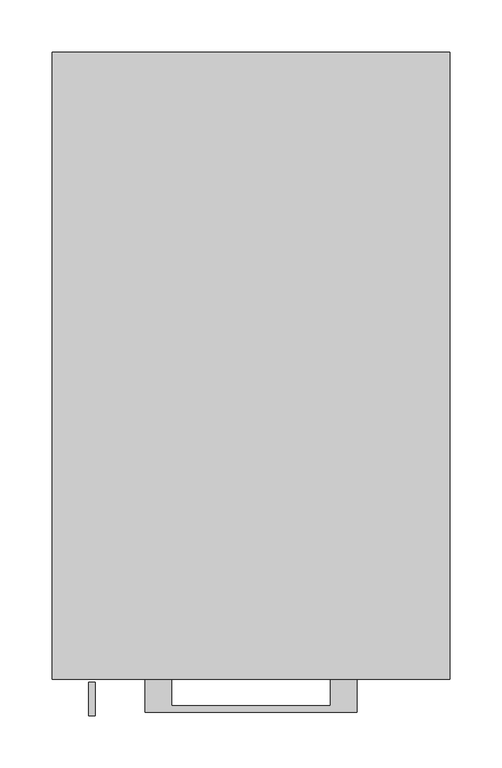
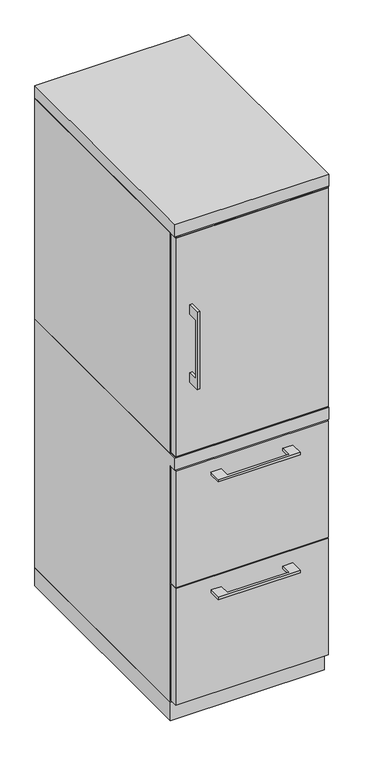
"""IFC4 building model written with IfcOpenShell, lengths in millimetres: furniture geometry."""

import ifcopenshell
import ifcopenshell.guid

model = None  # the IFC model being written
_history = None  # IfcOwnerHistory: only IFC2X3 demands one
_inside = {}  # id of a spatial element -> (the spatial element, [elements in it])
_under = {}  # id of a project, library or spatial element -> (it, [spatial elements below it])
_declared = {}  # id of a project -> (the project, [libraries it declares])
_typed = {}  # id of a type object -> (the type object, [elements of that type])
_made_of = {}  # id of a material, layer set ... -> (it, [elements and type objects made of it])


def new_model(schema):
    """Start an empty IFC model of exactly this schema.

    Asked for "IFC4X3", IfcOpenShell would pick the latest addendum, in which some entities
    have other attributes; the version numbers below select the first issue.
    IFC2X3 requires an IfcOwnerHistory on every rooted entity: one is made here for all.
    """
    global model, _history
    if schema == "IFC4X3":
        model = ifcopenshell.file(schema_version=(4, 3, 0, 0))
    else:
        model = ifcopenshell.file(schema=schema)
    _inside.clear()
    _under.clear()
    _declared.clear()
    _typed.clear()
    _made_of.clear()
    _history = None
    if model.schema == "IFC2X3":
        org = make("IfcOrganization", Name="unknown")
        user = make(
            "IfcPersonAndOrganization",
            ThePerson=make("IfcPerson", FamilyName="unknown"),
            TheOrganization=org,
        )
        app = make(
            "IfcApplication",
            ApplicationDeveloper=org,
            Version="unknown",
            ApplicationFullName="unknown",
            ApplicationIdentifier="unknown",
        )
        _history = make(
            "IfcOwnerHistory",
            OwningUser=user,
            OwningApplication=app,
            ChangeAction="ADDED",
            CreationDate=0,
        )
    return model


def make(cls, **values):
    """One entity of the class cls with the attributes given. An attribute that is None is left unset."""
    return model.create_entity(
        cls, **{name: value for name, value in values.items() if value is not None}
    )


def rooted(cls, **values):
    """An entity with a GlobalId (a new one), such as an element, a storey or a relation."""
    return make(cls, GlobalId=ifcopenshell.guid.new(), OwnerHistory=_history, **values)


def si_unit(unit_type, name, prefix=None):
    """IfcSIUnit, for example si_unit("LENGTHUNIT", "METRE", prefix="MILLI")."""
    return make("IfcSIUnit", UnitType=unit_type, Prefix=prefix, Name=name)


def assignment(units):
    """IfcUnitAssignment: the units of a project."""
    return None if units is None else make("IfcUnitAssignment", Units=units)


def point(xyz):
    """IfcCartesianPoint."""
    return None if xyz is None else make("IfcCartesianPoint", Coordinates=xyz)


def direction(xyz):
    """IfcDirection."""
    return None if xyz is None else make("IfcDirection", DirectionRatios=xyz)


def frame(location, z_axis=None, x_axis=None):
    """IfcAxis2Placement3D, a coordinate frame: its origin and axes. An axis left out is left unset."""
    return make(
        "IfcAxis2Placement3D",
        Location=point(location),
        Axis=direction(z_axis),
        RefDirection=direction(x_axis),
    )


def origin():
    """The frame at (0, 0, 0) with its axes left unset."""
    return frame((0.0, 0.0, 0.0))


def origin_with_axes():
    """The frame at (0, 0, 0) with the z axis (0, 0, 1) and the x axis (1, 0, 0) written out."""
    return frame((0.0, 0.0, 0.0), z_axis=(0.0, 0.0, 1.0), x_axis=(1.0, 0.0, 0.0))


def place(relative_to, where):
    """IfcLocalPlacement: puts the frame where relative to a parent placement (None: the world)."""
    return make(
        "IfcLocalPlacement", PlacementRelTo=relative_to, RelativePlacement=where
    )


def context(
    kind, dimensions, precision=None, world=None, true_north=None, identifier=None
):
    """IfcGeometricRepresentationContext, for example the 3D "Model" context."""
    return make(
        "IfcGeometricRepresentationContext",
        ContextIdentifier=identifier,
        ContextType=kind,
        CoordinateSpaceDimension=dimensions,
        Precision=precision,
        WorldCoordinateSystem=world,
        TrueNorth=true_north,
    )


def project(units=None, contexts=None):
    """IfcProject with its units and contexts."""
    return rooted(
        "IfcProject",
        Name="project",
        RepresentationContexts=contexts,
        UnitsInContext=assignment(units),
    )


def spatial(cls, under=None, at=None, **own):
    """A site, building, storey or space (cls), placed at a placement, below another one or the project."""
    s = rooted(cls, ObjectPlacement=at, **own)
    if under is not None:
        _under.setdefault(under.id(), (under, []))[1].append(s)
    return s


def polyline(points):
    """IfcPolyline through the points."""
    return make("IfcPolyline", Points=[point(p) for p in points])


def outline(outer, holes=None, kind="AREA"):
    """IfcArbitraryClosedProfileDef: a profile drawn as a closed curve; with holes, ...WithVoids."""
    if holes is None:
        return make("IfcArbitraryClosedProfileDef", ProfileType=kind, OuterCurve=outer)
    return make(
        "IfcArbitraryProfileDefWithVoids",
        ProfileType=kind,
        OuterCurve=outer,
        InnerCurves=holes,
    )


def extrude(swept, where, along, depth):
    """IfcExtrudedAreaSolid: the profile swept, set in the frame where, extruded along a direction by depth."""
    return make(
        "IfcExtrudedAreaSolid",
        SweptArea=swept,
        Position=where,
        ExtrudedDirection=direction(along),
        Depth=depth,
    )


def faces_of(points, faces, orient=None, outer=None):
    """IfcFace entities. A face is a list of loops; a loop is a list of indices into points, from 0.

    orient and outer hold one flag for each loop. By default every Orientation is true, the
    first loop of a face is its IfcFaceOuterBound and the others are IfcFaceBound.
    """
    made = []
    for i, loops in enumerate(faces):
        bounds = []
        for j, loop in enumerate(loops):
            is_outer = j == 0 if outer is None else outer[i][j]
            bounds.append(
                make(
                    "IfcFaceOuterBound" if is_outer else "IfcFaceBound",
                    Bound=make("IfcPolyLoop", Polygon=[points[k] for k in loop]),
                    Orientation=True if orient is None else orient[i][j],
                )
            )
        made.append(make("IfcFace", Bounds=bounds))
    return made


def faceted_brep(points, faces, orient=None, outer=None, voids=None):
    """IfcFacetedBrep: a solid bounded by flat faces; with voids (closed shells), ...WithVoids."""
    shared = [point(p) for p in points]
    hull = make("IfcClosedShell", CfsFaces=faces_of(shared, faces, orient, outer))
    if voids is None:
        return make("IfcFacetedBrep", Outer=hull)
    return make(
        "IfcFacetedBrepWithVoids",
        Outer=hull,
        Voids=[
            make(cls, CfsFaces=faces_of(shared, fs, o, b)) for cls, fs, o, b in voids
        ],
    )


def shape(context_of_items, identifier, shape_type, items):
    """IfcShapeRepresentation: the items that make up one representation, for example the "Body"."""
    return make(
        "IfcShapeRepresentation",
        ContextOfItems=context_of_items,
        RepresentationIdentifier=identifier,
        RepresentationType=shape_type,
        Items=items,
    )


def source(mapping_origin, context_of_items, identifier, shape_type, items):
    """IfcRepresentationMap: a shape defined once, which mapped items show again and again."""
    return make(
        "IfcRepresentationMap",
        MappingOrigin=mapping_origin,
        MappedRepresentation=shape(context_of_items, identifier, shape_type, items),
    )


def transform(
    local_origin,
    x_axis=None,
    y_axis=None,
    z_axis=None,
    scale=None,
    scale2=None,
    scale3=None,
    uniform=True,
):
    """IfcCartesianTransformationOperator3D, or its non-uniform kind. x_axis, y_axis, z_axis: its Axis1, 2, 3."""
    if uniform:
        return make(
            "IfcCartesianTransformationOperator3D",
            Axis1=direction(x_axis),
            Axis2=direction(y_axis),
            LocalOrigin=point(local_origin),
            Scale=scale,
            Axis3=direction(z_axis),
        )
    return make(
        "IfcCartesianTransformationOperator3DnonUniform",
        Axis1=direction(x_axis),
        Axis2=direction(y_axis),
        LocalOrigin=point(local_origin),
        Scale=scale,
        Axis3=direction(z_axis),
        Scale2=scale2,
        Scale3=scale3,
    )


def mapped(mapping_source, mapping_target):
    """IfcMappedItem: shows the shape of a source again, moved by a transform."""
    return make(
        "IfcMappedItem", MappingSource=mapping_source, MappingTarget=mapping_target
    )


def made_of(thing, what):
    """Note that an element or type object is made of a material, layer set ...; save() writes the relation."""
    if what is not None:
        _made_of.setdefault(what.id(), (what, []))[1].append(thing)
    return thing


def element(
    cls,
    number,
    at=None,
    inside=None,
    cuts=None,
    type_object=None,
    material=None,
    context=None,
    identifier="Body",
    shape_type=None,
    held_by="IfcProductDefinitionShape",
    body=None,
    shapes=None,
    **own,
):
    """One element of the class cls, such as IfcWall. Its Tag is "e" and its number.

    at: its placement. inside: the storey or other place that contains it. cuts: it is an
    opening in that element (IfcRelVoidsElement). A single representation is given by context,
    identifier, shape_type and body (its items); several are given by shapes. held_by: the class
    of the entity that holds the representations. save() writes the other relations.
    """
    e = rooted(cls, Tag="e%d" % number, ObjectPlacement=at, **own)
    if body is not None:
        shapes = [shape(context, identifier, shape_type, body)]
    if shapes is not None:
        e.Representation = make(held_by, Representations=shapes)
    if inside is not None:
        _inside.setdefault(inside.id(), (inside, []))[1].append(e)
    if cuts is not None:
        rooted(
            "IfcRelVoidsElement", RelatingBuildingElement=cuts, RelatedOpeningElement=e
        )
    if type_object is not None:
        _typed.setdefault(type_object.id(), (type_object, []))[1].append(e)
    return made_of(e, material)


def aggregate(whole, parts):
    """IfcRelAggregates: a whole, such as a stair, and the parts it consists of."""
    return rooted("IfcRelAggregates", RelatingObject=whole, RelatedObjects=parts)


def save(model, path):
    """Write the relations noted so far, then the file.

    IfcRelAggregates (storeys below a building ...), IfcRelContainedInSpatialStructure (elements
    in a storey), IfcRelDefinesByType, IfcRelAssociatesMaterial and IfcRelDeclares: one each for
    every whole, place, type object, material and project.
    """
    for whole, parts in _under.values():
        aggregate(whole, parts)
    for where, things in _inside.values():
        rooted(
            "IfcRelContainedInSpatialStructure",
            RelatedElements=things,
            RelatingStructure=where,
        )
    for kind, things in _typed.values():
        rooted("IfcRelDefinesByType", RelatedObjects=things, RelatingType=kind)
    for what, things in _made_of.values():
        rooted("IfcRelAssociatesMaterial", RelatedObjects=things, RelatingMaterial=what)
    for by, libraries in _declared.values():
        rooted("IfcRelDeclares", RelatingContext=by, RelatedDefinitions=libraries)
    model.write(path)


def furniture_fcee427c(model_context):
    return source(origin(), model_context, "Body", "SolidModel", [
        extrude(outline(polyline([(-603.25, 1063.625), (-628.6499758, 1063.625), (-628.6499758, 911.225), (-603.25, 911.225), (-603.25, 885.825), (-634.9999879, 885.825), (-634.9999879, 1089.025), (-603.25, 1089.025), (-603.25, 1063.625)])), frame((-155.5749879, 0.0, 0.0), z_axis=(1.0, 0.0, 0.0), x_axis=(0.0, 1.0, 0.0)), (0.0, 0.0, 1.0), 6.3499758),
        extrude(outline(polyline([(188.9125, -600.075), (-188.9125, -600.075), (-188.9125, -581.025), (188.9125, -581.025), (188.9125, -600.075)])), frame((0.0, 0.0, 701.675), z_axis=(0.0, 0.0, 1.0), x_axis=(1.0, 0.0, 0.0)), (0.0, 0.0, 1.0), 571.5),
        extrude(outline(polyline([(-76.1999818, -600.075), (-76.1999818, -625.4749758), (76.2, -625.4749758), (76.2, -600.075), (101.5999939, -600.075), (101.5999939, -631.8249879), (-101.5999939, -631.8249879), (-101.5999939, -600.075), (-76.1999818, -600.075)])), frame((0.0, 0.0, 623.8875506), z_axis=(0.0, 0.0, 1.0), x_axis=(1.0, 0.0, 0.0)), (0.0, 0.0, 1.0), 6.3499758),
        extrude(outline(polyline([(188.9125, -581.025), (188.9125, -600.075), (-188.9125, -600.075), (-188.9125, -581.025), (188.9125, -581.025)])), frame((0.0, 0.0, 358.775), z_axis=(0.0, 0.0, 1.0), x_axis=(1.0, 0.0, 0.0)), (0.0, 0.0, 1.0), 304.8),
        extrude(outline(polyline([(-76.1999818, -600.075), (-76.1999818, -625.4749758), (76.2, -625.4749758), (76.2, -600.075), (101.5999939, -600.075), (101.5999939, -631.8249879), (-101.5999939, -631.8249879), (-101.5999939, -600.075), (-76.1999818, -600.075)])), frame((0.0, 0.0, 315.9125506), z_axis=(0.0, 0.0, 1.0), x_axis=(1.0, 0.0, 0.0)), (0.0, 0.0, 1.0), 6.3499758),
        extrude(outline(polyline([(188.9125, -581.025), (188.9125, -600.075), (-188.9125, -600.075), (-188.9125, -581.025), (188.9125, -581.025)])), frame((0.0, 0.0, 50.8), z_axis=(0.0, 0.0, 1.0), x_axis=(1.0, 0.0, 0.0)), (0.0, 0.0, 1.0), 304.8),
        extrude(outline(polyline([(188.9125, -581.025), (188.9125, -600.075), (-188.9125, -600.075), (-188.9125, -581.025), (188.9125, -581.025)])), frame((0.0, 0.0, 698.5), z_axis=(0.0, 0.0, 1.0), x_axis=(1.0, 0.0, 0.0)), (0.0, 0.0, 1.0), 577.85),
        extrude(outline(polyline([(-171.45, 0.0), (-171.45, -581.025), (-190.5, -581.025), (-190.5, 0.0), (-171.45, 0.0)])), frame((0.0, 0.0, 698.5), z_axis=(0.0, 0.0, 1.0), x_axis=(1.0, 0.0, 0.0)), (0.0, 0.0, 1.0), 577.85),
        extrude(outline(polyline([(190.5, -581.025), (171.45, -581.025), (171.45, 0.0), (190.5, 0.0), (190.5, -581.025)])), frame((0.0, 0.0, 698.5), z_axis=(0.0, 0.0, 1.0), x_axis=(1.0, 0.0, 0.0)), (0.0, 0.0, 1.0), 577.85),
        extrude(outline(polyline([(171.45, -19.05), (-171.45, -19.05), (-171.45, 0.0), (171.45, 0.0), (171.45, -19.05)])), frame((0.0, 0.0, 47.625), z_axis=(0.0, 0.0, 1.0), x_axis=(1.0, 0.0, 0.0)), (0.0, 0.0, 1.0), 1228.725),
        faceted_brep([(-171.45, 0.0, 698.5), (-190.5, 0.0, 698.5), (-190.5, -600.075, 698.5), (190.5, -600.075, 698.5), (190.5, 0.0, 698.5), (171.45, 0.0, 698.5), (171.45, -19.05, 698.5), (-171.45, -19.05, 698.5), (-171.45, 0.0, 47.625), (-171.45, -581.025, 47.625), (-190.5, -581.025, 47.625), (-190.5, 0.0, 47.625), (-190.5, -581.025, 666.75), (-190.5, -600.075, 666.75), (-171.45, -581.025, 666.75), (-171.45, -19.05, 666.75), (190.5, -600.075, 666.75), (171.45, -19.05, 666.75), (171.45, -581.025, 666.75), (190.5, -581.025, 666.75), (190.5, -581.025, 47.625), (190.5, 0.0, 47.625), (171.45, -581.025, 47.625), (171.45, 0.0, 47.625)], [[[0, 1, 2, 3, 4, 5, 6, 7]], [[8, 9, 10, 11]], [[1, 0, 8, 11]], [[11, 10, 12, 13, 2, 1]], [[10, 9, 14, 12]], [[9, 8, 0, 7, 15, 14]], [[16, 13, 12, 14, 15, 17, 18, 19]], [[15, 7, 6, 17]], [[3, 2, 13, 16]], [[4, 3, 16, 19, 20, 21]], [[21, 20, 22, 23]], [[5, 4, 21, 23]], [[23, 22, 18, 17, 6, 5]], [[22, 20, 19, 18]]]),
        extrude(outline(polyline([(190.5, 0.0), (190.5, -600.075), (-190.5, -600.075), (-190.5, 0.0), (190.5, 0.0)])), frame((0.0, 0.0, 1276.35), z_axis=(0.0, 0.0, 1.0), x_axis=(1.0, 0.0, 0.0)), (0.0, 0.0, 1.0), 31.75),
        extrude(outline(polyline([(190.5, 0.0), (190.5, -581.025), (-190.5, -581.025), (-190.5, 0.0), (190.5, 0.0)])), origin_with_axes(), (0.0, 0.0, 1.0), 47.625),
    ])


if __name__ == "__main__":
    model = new_model("IFC4")
    model_context = context("Model", 3, world=origin())
    ifc_project = project(units=[si_unit("LENGTHUNIT", "METRE", prefix="MILLI")], contexts=[model_context])
    site = spatial("IfcSite", under=ifc_project)
    building = spatial("IfcBuilding", under=site)
    placement = place(None, origin())
    furniture_shape = furniture_fcee427c(model_context)
    element("IfcFurniture", 1, at=placement, inside=building, context=model_context, shape_type="MappedRepresentation", body=[
        mapped(furniture_shape, transform((0.0, 0.0, 0.0), x_axis=(1.0, 0.0, 0.0), y_axis=(0.0, 1.0, 0.0), z_axis=(0.0, 0.0, 1.0))),
    ])
    save(model, "model.ifc")
